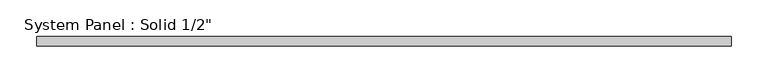
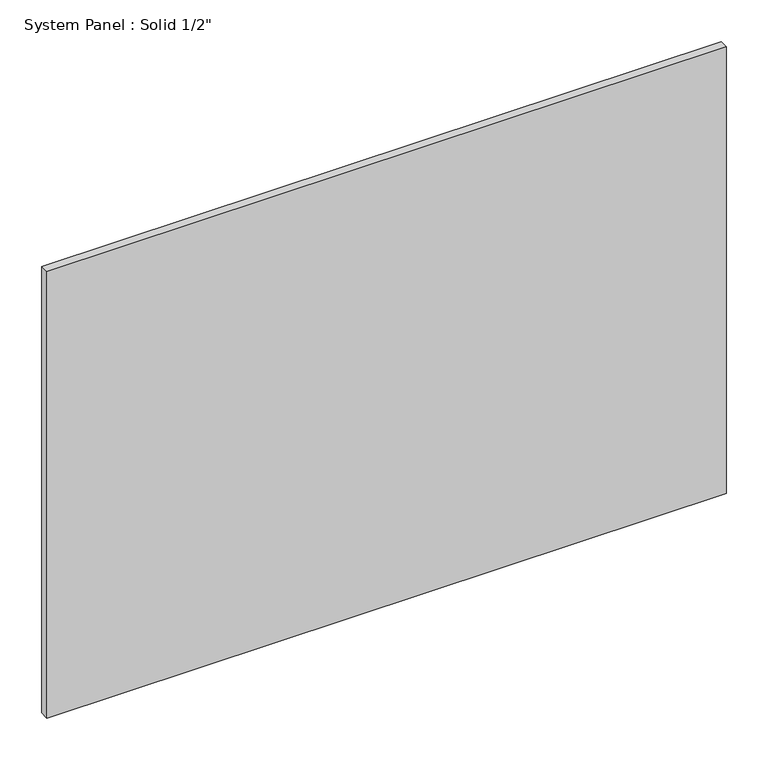
"""IFC4 building model written with IfcOpenShell, lengths in millimetres: plate geometry."""

from ifc_helpers import new_model, si_unit, origin, origin_with_axes, place, context, project, spatial, polyline, outline, extrude, source, transform, mapped, element, save


def plate_d2dac930(model_context):
    return source(origin(), model_context, "Body", "SweptSolid", [
        extrude(outline(polyline([(470.4291667, -6.35), (-470.4291667, -6.35), (-470.4291667, 6.35), (470.4291667, 6.35), (470.4291667, -6.35)])), origin_with_axes(), (0.0, 0.0, 1.0), 654.05),
    ])


if __name__ == "__main__":
    model = new_model("IFC4")
    model_context = context("Model", 3, world=origin())
    ifc_project = project(units=[si_unit("LENGTHUNIT", "METRE", prefix="MILLI")], contexts=[model_context])
    site = spatial("IfcSite", under=ifc_project)
    building = spatial("IfcBuilding", under=site)
    placement = place(None, origin())
    plate_shape = plate_d2dac930(model_context)
    element("IfcPlate", 1, ObjectType="System Panel : Solid 1/2\"", at=placement, inside=building, context=model_context, shape_type="MappedRepresentation", body=[
        mapped(plate_shape, transform((0.0, 0.0, 0.0), x_axis=(1.0, 0.0, 0.0), y_axis=(0.0, 1.0, 0.0), z_axis=(0.0, 0.0, 1.0))),
    ])
    save(model, "model.ifc")
